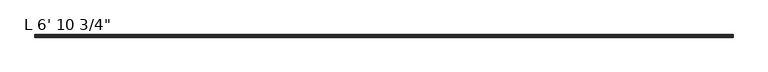
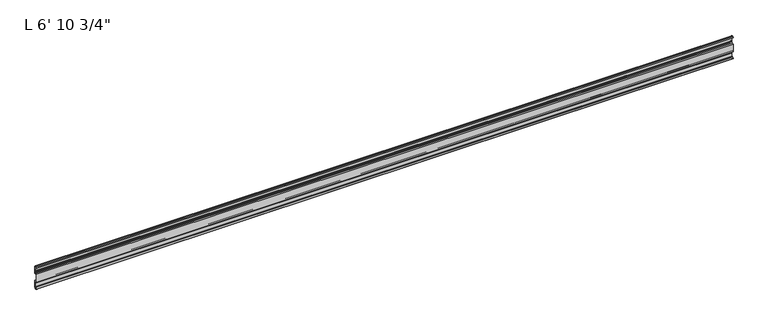
"""IFC4 building model written with IfcOpenShell, lengths in millimetres: proxy geometry."""

from ifc_helpers import new_model, si_unit, point, frame, frame_2d, origin, place, context, project, spatial, polyline, circle_curve, trimmed, segment, composite_curve, outline, extrude, source, transform, mapped, element, save


def proxy_782a9d78(model_context):
    return source(origin(), model_context, "Body", "SweptSolid", [
        extrude(outline(composite_curve([segment(trimmed(circle_curve(frame_2d((14.5481808, -29.2063136)), 3.048), [point((13.6400687, -32.1158903))], [point((11.9462301, -30.7938136))], False, "CARTESIAN"), True, "CONTINUOUS"), segment(trimmed(circle_curve(frame_2d((14.5481808, -29.2063136)), 3.048), [point((11.9462301, -30.7938136))], [point((13.6400687, -26.2967369))], False, "CARTESIAN"), True, "CONTINUOUS"), segment(polyline([(13.6400687, -26.2967369), (15.4364113, -25.7360779)]), True, "CONTINUOUS"), segment(trimmed(circle_curve(frame_2d((15.6245238, -26.2747792)), 0.5706009), [point((15.4364113, -25.7360779))], [point((16.1779173, -26.4138515))], False, "CARTESIAN"), True, "CONTINUOUS"), segment(trimmed(circle_curve(frame_2d((16.9169378, -26.5995734)), 0.762), [point((16.1779173, -26.4138515))], [point((16.9376166, -27.3612928))], True, "CARTESIAN"), True, "CONTINUOUS"), segment(trimmed(circle_curve(frame_2d((16.9545, -26.8535734)), 0.508), [point((16.9376166, -27.3612928))], [point((17.4625, -26.8535734))], True, "CARTESIAN"), True, "CONTINUOUS"), segment(polyline([(17.4625, -26.8535734), (17.4625, -15.6659614), (17.9716639, -14.7485418), (17.9716639, -13.408381), (17.4625, -12.4909614), (17.4625, -10.1123329)]), True, "CONTINUOUS"), segment(trimmed(circle_curve(frame_2d((15.875, -10.1123329)), 1.5875), [point((17.4625, -10.1123329))], [point((15.875, -8.5248329))], True, "CARTESIAN"), True, "CONTINUOUS"), segment(polyline([(15.875, -8.5248329), (11.1125, -8.5248329), (11.1125, 16.902011), (15.875, 16.902011)]), True, "CONTINUOUS"), segment(trimmed(circle_curve(frame_2d((15.875, 18.489511)), 1.5875), [point((15.875, 16.902011))], [point((17.4625, 18.489511))], True, "CARTESIAN"), True, "CONTINUOUS"), segment(polyline([(17.4625, 18.489511), (17.4625, 20.8681395), (17.9716639, 21.7855591), (17.9716639, 23.1257199), (17.4625, 24.0431395), (17.4625, 35.2307515)]), True, "CONTINUOUS"), segment(trimmed(circle_curve(frame_2d((16.9545, 35.2307515)), 0.508), [point((17.4625, 35.2307515))], [point((16.9376166, 35.7384709))], True, "CARTESIAN"), True, "CONTINUOUS"), segment(trimmed(circle_curve(frame_2d((16.9169378, 34.9767515)), 0.762), [point((16.9376166, 35.7384709))], [point((16.1779173, 34.7910296))], True, "CARTESIAN"), True, "CONTINUOUS"), segment(trimmed(circle_curve(frame_2d((15.6245238, 34.6519573)), 0.5706009), [point((16.1779173, 34.7910296))], [point((15.4364113, 34.113256))], False, "CARTESIAN"), True, "CONTINUOUS"), segment(polyline([(15.4364113, 34.113256), (13.6400687, 34.673915)]), True, "CONTINUOUS"), segment(trimmed(circle_curve(frame_2d((14.5481808, 37.5834917)), 3.048), [point((13.6400687, 34.673915))], [point((11.9462301, 39.1709917))], False, "CARTESIAN"), True, "CONTINUOUS"), segment(trimmed(circle_curve(frame_2d((14.5481808, 37.5834917)), 3.048), [point((11.9462301, 39.1709917))], [point((13.6400687, 40.4930684))], False, "CARTESIAN"), True, "CONTINUOUS"), segment(polyline([(13.6400687, 40.4930684), (15.4750158, 41.0657763)]), True, "CONTINUOUS"), segment(trimmed(circle_curve(frame_2d((15.6853088, 40.6458616)), 0.4696291), [point((15.4750158, 41.0657763))], [point((16.1549378, 40.6458616))], False, "CARTESIAN"), True, "CONTINUOUS"), segment(polyline([(16.1549378, 40.6458616), (16.1549378, 39.1042515)]), True, "CONTINUOUS"), segment(trimmed(circle_curve(frame_2d((17.7424378, 39.1042515)), 1.5875), [point((16.1549378, 39.1042515))], [point((17.7424378, 37.5167515))], True, "CARTESIAN"), True, "CONTINUOUS"), segment(polyline([(17.7424378, 37.5167515), (19.05, 37.5167515), (19.05, 16.8792515)]), True, "CONTINUOUS"), segment(trimmed(circle_curve(frame_2d((17.4625, 16.8792515)), 1.5875), [point((19.05, 16.8792515))], [point((17.4625, 15.2917515))], False, "CARTESIAN"), True, "CONTINUOUS"), segment(polyline([(17.4625, 15.2917515), (12.7, 15.2917515), (12.7, -6.9145734), (17.4625, -6.9145734)]), True, "CONTINUOUS"), segment(trimmed(circle_curve(frame_2d((17.4625, -8.5020734)), 1.5875), [point((17.4625, -6.9145734))], [point((19.05, -8.5020734))], False, "CARTESIAN"), True, "CONTINUOUS"), segment(polyline([(19.05, -8.5020734), (19.05, -29.1395734), (17.7424378, -29.1395734)]), True, "CONTINUOUS"), segment(trimmed(circle_curve(frame_2d((17.7424378, -30.7270734)), 1.5875), [point((17.7424378, -29.1395734))], [point((16.1549378, -30.7270734))], True, "CARTESIAN"), True, "CONTINUOUS"), segment(polyline([(16.1549378, -30.7270734), (16.1549378, -32.2686835)]), True, "CONTINUOUS"), segment(trimmed(circle_curve(frame_2d((15.6853088, -32.2686835)), 0.4696291), [point((16.1549378, -32.2686835))], [point((15.4750158, -32.6885982))], False, "CARTESIAN"), True, "CONTINUOUS"), segment(polyline([(15.4750158, -32.6885982), (13.6400687, -32.1158903)]), True, "CONTINUOUS")], self_intersect=False)), frame((-1797.05, 0.0, 0.0), z_axis=(1.0, 0.0, 0.0), x_axis=(0.0, 1.0, 0.0)), (0.0, 0.0, 1.0), 2101.85),
    ])


if __name__ == "__main__":
    model = new_model("IFC4")
    model_context = context("Model", 3, world=origin())
    ifc_project = project(units=[si_unit("LENGTHUNIT", "METRE", prefix="MILLI")], contexts=[model_context])
    site = spatial("IfcSite", under=ifc_project)
    building = spatial("IfcBuilding", under=site)
    placement = place(None, origin())
    proxy_shape = proxy_782a9d78(model_context)
    element("IfcBuildingElementProxy", 1, Name="L 6' 10 3/4\"", ObjectType="L 6' 10 3/4\"", at=placement, inside=building, context=model_context, shape_type="MappedRepresentation", body=[
        mapped(proxy_shape, transform((0.0, 0.0, 0.0), x_axis=(1.0, 0.0, 0.0), y_axis=(0.0, 1.0, 0.0), z_axis=(0.0, 0.0, 1.0))),
    ])
    save(model, "model.ifc")
